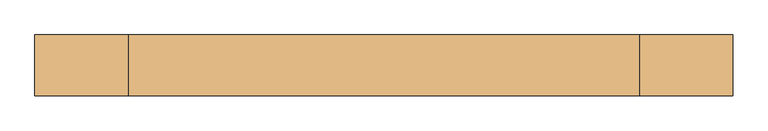
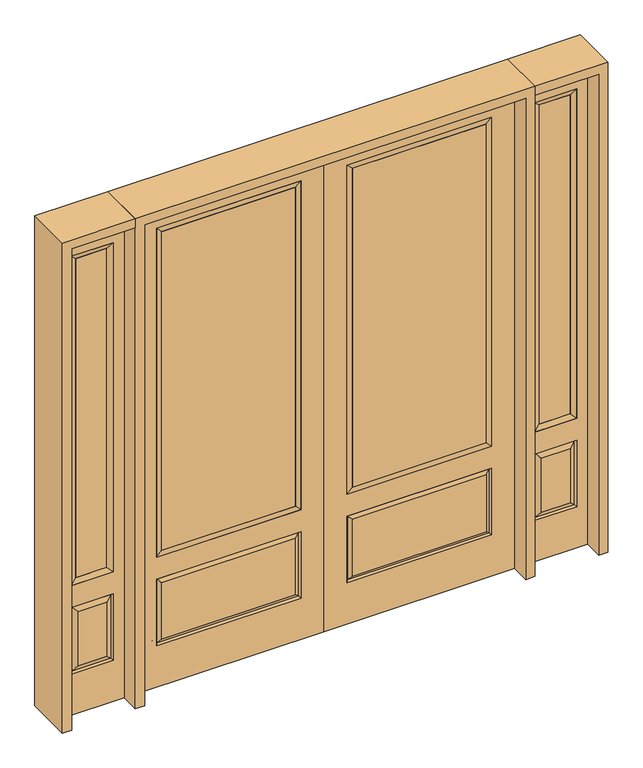
"""IFC4 building model written with IfcOpenShell, lengths in millimetres: door geometry."""

from ifc_helpers import new_model, si_unit, frame, origin, place, context, project, spatial, polyline, outline, extrude, faceted_brep, source, transform, mapped, element, save


def door_9a97991a(model_context):
    return source(origin(), model_context, "Body", "SolidModel", [
        extrude(outline(polyline([(136.525, -20.32), (136.525, 5.08), (777.875, 5.08), (777.875, -20.32), (136.525, -20.32)])), frame((0.0, 0.0, 682.498), z_axis=(0.0, 0.0, 1.0), x_axis=(1.0, 0.0, 0.0)), (0.0, 0.0, 1.0), 1616.202),
        faceted_brep([(796.1661499, -12.7912373, 216.6588501), (778.66875, -22.225, 234.15625), (135.73125, -22.225, 234.15625), (118.2338501, -12.7912373, 216.6588501), (111.125, -22.225, 209.55), (803.275, -22.225, 209.55), (803.275, -22.225, 546.1), (796.1661499, -12.7912373, 538.9911499), (0.0, -22.225, 2438.4), (0.0, -22.225, 0.0), (914.4, -22.225, 0.0), (914.4, -22.225, 2438.4), (111.125, -22.225, 546.1), (111.125, -22.225, 2324.1), (803.275, -22.225, 2324.1), (803.275, -22.225, 657.098), (111.125, -22.225, 657.098), (778.66875, -22.225, 521.49375), (135.73125, -22.225, 521.49375), (118.2338501, -12.7912373, 538.9911499), (914.4, 22.225, 0.0), (914.4, 22.225, 2438.4), (0.0, 22.225, 0.0), (0.0, 22.225, 2438.4), (111.125, 22.225, 657.098), (111.125, 22.225, 2324.1), (803.275, 22.225, 657.098), (803.275, 22.225, 2324.1), (135.73125, 22.225, 234.15625), (135.73125, 22.225, 521.49375), (778.66875, 22.225, 521.49375), (778.66875, 22.225, 234.15625), (803.275, 22.225, 209.55), (803.275, 22.225, 546.1), (111.125, 22.225, 546.1), (111.125, 22.225, 209.55), (118.2338501, 12.7912373, 216.6588501), (796.1661499, 12.7912373, 216.6588501), (118.2338501, 12.7912373, 538.9911499), (796.1661499, 12.7912373, 538.9911499)], [[[0, 1, 2, 3]], [[3, 4, 5, 0]], [[5, 6, 7, 0]], [[8, 9, 10, 11], [4, 12, 6, 5], [13, 14, 15, 16]], [[1, 17, 18, 2]], [[3, 19, 12, 4]], [[2, 18, 19, 3]], [[0, 7, 17, 1]], [[6, 12, 19, 7]], [[7, 19, 18, 17]], [[10, 20, 21, 11]], [[9, 22, 20, 10]], [[8, 23, 22, 9]], [[16, 24, 25, 13]], [[15, 26, 24, 16]], [[14, 27, 26, 15]], [[28, 29, 30, 31]], [[23, 21, 20, 22], [25, 24, 26, 27], [32, 33, 34, 35]], [[32, 35, 36, 37]], [[35, 34, 38, 36]], [[39, 38, 34, 33]], [[37, 39, 33, 32]], [[36, 28, 31, 37]], [[31, 30, 39, 37]], [[30, 29, 38, 39]], [[36, 38, 29, 28]], [[11, 21, 23, 8]], [[13, 25, 27, 14]]]),
        faceted_brep([(803.275, -22.225, 2324.1), (803.275, -22.225, 657.098), (803.275, 22.225, 657.098), (803.275, 22.225, 2324.1), (111.125, -22.225, 657.098), (111.125, 22.225, 657.098), (136.525, 5.08, 682.498), (777.875, 5.08, 682.498), (111.125, -22.225, 2324.1), (111.125, 22.225, 2324.1), (777.875, -20.32, 682.498), (136.525, -20.32, 682.498), (777.875, -20.32, 2298.7), (136.525, -20.32, 2298.7), (777.875, 5.08, 2298.7), (136.525, 5.08, 2298.7)], [[[0, 1, 2, 3]], [[1, 4, 5, 2]], [[2, 5, 6, 7]], [[4, 8, 9, 5]], [[10, 11, 4, 1]], [[12, 10, 1, 0]], [[11, 13, 8, 4]], [[7, 6, 11, 10]], [[14, 7, 10, 12]], [[6, 15, 13, 11]], [[3, 2, 7, 14]], [[5, 9, 15, 6]], [[8, 0, 3, 9]], [[13, 12, 0, 8]], [[15, 14, 12, 13]], [[9, 3, 14, 15]]]),
        faceted_brep([(958.85, -22.225, 0.0), (1263.65, -22.225, 0.0), (1263.65, -22.225, 2438.4), (958.85, -22.225, 2438.4), (1211.58, -22.225, 2325.624), (1211.58, -22.225, 657.098), (1010.92, -22.225, 657.098), (1010.92, -22.225, 2325.624), (1211.58, -22.225, 209.55), (1010.92, -22.225, 209.55), (1010.92, -22.225, 546.1), (1211.58, -22.225, 546.1), (1042.6351001, -22.225, 241.2651001), (1179.8648999, -22.225, 241.2651001), (1179.8648999, -22.225, 514.3848999), (1042.6351001, -22.225, 514.3848999), (958.85, 22.225, 0.0), (958.85, 22.225, 2438.4), (1263.65, 22.225, 2438.4), (1263.65, 22.225, 0.0), (1211.58, 22.225, 2325.624), (1010.92, 22.225, 2325.624), (1010.92, 22.225, 657.098), (1211.58, 22.225, 657.098), (1010.92, 22.225, 209.55), (1211.58, 22.225, 209.55), (1211.58, 22.225, 546.1), (1010.92, 22.225, 546.1), (1179.8648999, 22.225, 241.2651001), (1042.6351001, 22.225, 241.2651001), (1042.6351001, 22.225, 514.3848999), (1179.8648999, 22.225, 514.3848999), (1204.4711499, 12.7912373, 216.6588501), (1018.0288501, 12.7912373, 216.6588501), (1018.0288501, 12.7912373, 538.9911499), (1204.4711499, 12.7912373, 538.9911499), (1018.0288501, -12.7912373, 216.6588501), (1204.4711499, -12.7912373, 216.6588501), (1018.0288501, -12.7912373, 538.9911499), (1204.4711499, -12.7912373, 538.9911499)], [[[0, 1, 2, 3], [4, 5, 6, 7], [8, 9, 10, 11]], [[12, 13, 14, 15]], [[16, 17, 18, 19], [20, 21, 22, 23], [24, 25, 26, 27]], [[28, 29, 30, 31]], [[1, 0, 16, 19]], [[2, 1, 19, 18]], [[3, 2, 18, 17]], [[0, 3, 17, 16]], [[5, 4, 20, 23]], [[6, 5, 23, 22]], [[7, 6, 22, 21]], [[4, 7, 21, 20]], [[32, 33, 29, 28]], [[33, 32, 25, 24]], [[29, 33, 34, 30]], [[33, 24, 27, 34]], [[30, 34, 35, 31]], [[34, 27, 26, 35]], [[32, 28, 31, 35]], [[25, 32, 35, 26]], [[12, 36, 37, 13]], [[37, 36, 9, 8]], [[36, 12, 15, 38]], [[9, 36, 38, 10]], [[38, 15, 14, 39]], [[10, 38, 39, 11]], [[13, 37, 39, 14]], [[37, 8, 11, 39]]]),
        faceted_brep([(1010.92, 22.225, 2325.624), (1010.92, -22.225, 2325.624), (1211.58, -22.225, 2325.624), (1211.58, 22.225, 2325.624), (1036.32, 12.7, 2300.224), (1186.18, 12.7, 2300.224), (1036.32, -12.7, 2300.224), (1186.18, -12.7, 2300.224), (1211.58, -22.225, 657.098), (1211.58, 22.225, 657.098), (1186.18, 12.7, 682.498), (1186.18, -12.7, 682.498), (1010.92, -22.225, 657.098), (1010.92, 22.225, 657.098), (1036.32, 12.7, 682.498), (1036.32, -12.7, 682.498)], [[[0, 1, 2, 3]], [[4, 0, 3, 5]], [[6, 4, 5, 7]], [[1, 6, 7, 2]], [[3, 2, 8, 9]], [[5, 3, 9, 10]], [[7, 5, 10, 11]], [[2, 7, 11, 8]], [[9, 8, 12, 13]], [[10, 9, 13, 14]], [[11, 10, 14, 15]], [[8, 11, 15, 12]], [[13, 12, 1, 0]], [[14, 13, 0, 4]], [[15, 14, 4, 6]], [[12, 15, 6, 1]]]),
        extrude(outline(polyline([(1186.18, -12.7), (1036.32, -12.7), (1036.32, 12.7), (1186.18, 12.7), (1186.18, -12.7)])), frame((0.0, 0.0, 682.498), z_axis=(0.0, 0.0, 1.0), x_axis=(1.0, 0.0, 0.0)), (0.0, 0.0, 1.0), 1617.726),
        faceted_brep([(-1263.65, -22.225, 0.0), (-958.85, -22.225, 0.0), (-958.85, -22.225, 2438.4), (-1263.65, -22.225, 2438.4), (-1010.92, -22.225, 2325.624), (-1010.92, -22.225, 657.098), (-1211.58, -22.225, 657.098), (-1211.58, -22.225, 2325.624), (-1010.92, -22.225, 209.55), (-1211.58, -22.225, 209.55), (-1211.58, -22.225, 546.1), (-1010.92, -22.225, 546.1), (-1179.8648999, -22.225, 241.2651001), (-1042.6351001, -22.225, 241.2651001), (-1042.6351001, -22.225, 514.3848999), (-1179.8648999, -22.225, 514.3848999), (-1263.65, 22.225, 0.0), (-1263.65, 22.225, 2438.4), (-958.85, 22.225, 2438.4), (-958.85, 22.225, 0.0), (-1010.92, 22.225, 2325.624), (-1211.58, 22.225, 2325.624), (-1211.58, 22.225, 657.098), (-1010.92, 22.225, 657.098), (-1211.58, 22.225, 209.55), (-1010.92, 22.225, 209.55), (-1010.92, 22.225, 546.1), (-1211.58, 22.225, 546.1), (-1042.6351001, 22.225, 241.2651001), (-1179.8648999, 22.225, 241.2651001), (-1179.8648999, 22.225, 514.3848999), (-1042.6351001, 22.225, 514.3848999), (-1018.0288501, 12.7912373, 216.6588501), (-1204.4711499, 12.7912373, 216.6588501), (-1204.4711499, 12.7912373, 538.9911499), (-1018.0288501, 12.7912373, 538.9911499), (-1204.4711499, -12.7912373, 216.6588501), (-1018.0288501, -12.7912373, 216.6588501), (-1204.4711499, -12.7912373, 538.9911499), (-1018.0288501, -12.7912373, 538.9911499)], [[[0, 1, 2, 3], [4, 5, 6, 7], [8, 9, 10, 11]], [[12, 13, 14, 15]], [[16, 17, 18, 19], [20, 21, 22, 23], [24, 25, 26, 27]], [[28, 29, 30, 31]], [[1, 0, 16, 19]], [[2, 1, 19, 18]], [[3, 2, 18, 17]], [[0, 3, 17, 16]], [[5, 4, 20, 23]], [[6, 5, 23, 22]], [[7, 6, 22, 21]], [[4, 7, 21, 20]], [[32, 33, 29, 28]], [[33, 32, 25, 24]], [[29, 33, 34, 30]], [[33, 24, 27, 34]], [[30, 34, 35, 31]], [[34, 27, 26, 35]], [[32, 28, 31, 35]], [[25, 32, 35, 26]], [[12, 36, 37, 13]], [[37, 36, 9, 8]], [[36, 12, 15, 38]], [[9, 36, 38, 10]], [[38, 15, 14, 39]], [[10, 38, 39, 11]], [[13, 37, 39, 14]], [[37, 8, 11, 39]]]),
        faceted_brep([(-1211.58, 22.225, 2325.624), (-1211.58, -22.225, 2325.624), (-1010.92, -22.225, 2325.624), (-1010.92, 22.225, 2325.624), (-1186.18, 12.7, 2300.224), (-1036.32, 12.7, 2300.224), (-1186.18, -12.7, 2300.224), (-1036.32, -12.7, 2300.224), (-1010.92, -22.225, 657.098), (-1010.92, 22.225, 657.098), (-1036.32, 12.7, 682.498), (-1036.32, -12.7, 682.498), (-1211.58, -22.225, 657.098), (-1211.58, 22.225, 657.098), (-1186.18, 12.7, 682.498), (-1186.18, -12.7, 682.498)], [[[0, 1, 2, 3]], [[4, 0, 3, 5]], [[6, 4, 5, 7]], [[1, 6, 7, 2]], [[3, 2, 8, 9]], [[5, 3, 9, 10]], [[7, 5, 10, 11]], [[2, 7, 11, 8]], [[9, 8, 12, 13]], [[10, 9, 13, 14]], [[11, 10, 14, 15]], [[8, 11, 15, 12]], [[13, 12, 1, 0]], [[14, 13, 0, 4]], [[15, 14, 4, 6]], [[12, 15, 6, 1]]]),
        extrude(outline(polyline([(-1036.32, -12.7), (-1186.18, -12.7), (-1186.18, 12.7), (-1036.32, 12.7), (-1036.32, -12.7)])), frame((0.0, 0.0, 682.498), z_axis=(0.0, 0.0, 1.0), x_axis=(1.0, 0.0, 0.0)), (0.0, 0.0, 1.0), 1617.726),
        extrude(outline(polyline([(-136.525, -20.32), (-777.875, -20.32), (-777.875, 5.08), (-136.525, 5.08), (-136.525, -20.32)])), frame((0.0, 0.0, 682.498), z_axis=(0.0, 0.0, 1.0), x_axis=(1.0, 0.0, 0.0)), (0.0, 0.0, 1.0), 1616.202),
        faceted_brep([(-796.1661499, -12.7912373, 216.6588501), (-118.2338501, -12.7912373, 216.6588501), (-135.73125, -22.225, 234.15625), (-778.66875, -22.225, 234.15625), (-803.275, -22.225, 209.55), (-111.125, -22.225, 209.55), (-796.1661499, -12.7912373, 538.9911499), (-803.275, -22.225, 546.1), (-135.73125, -22.225, 521.49375), (-778.66875, -22.225, 521.49375), (0.0, -22.225, 2438.4), (-914.4, -22.225, 2438.4), (-914.4, -22.225, 0.0), (0.0, -22.225, 0.0), (-111.125, -22.225, 546.1), (-111.125, -22.225, 2324.1), (-111.125, -22.225, 657.098), (-803.275, -22.225, 657.098), (-803.275, -22.225, 2324.1), (-118.2338501, -12.7912373, 538.9911499), (-914.4, 22.225, 2438.4), (-914.4, 22.225, 0.0), (0.0, 22.225, 0.0), (0.0, 22.225, 2438.4), (-111.125, 22.225, 2324.1), (-111.125, 22.225, 657.098), (-803.275, 22.225, 657.098), (-803.275, 22.225, 2324.1), (-803.275, 22.225, 209.55), (-111.125, 22.225, 209.55), (-111.125, 22.225, 546.1), (-803.275, 22.225, 546.1), (-135.73125, 22.225, 234.15625), (-778.66875, 22.225, 234.15625), (-778.66875, 22.225, 521.49375), (-135.73125, 22.225, 521.49375), (-796.1661499, 12.7912373, 216.6588501), (-118.2338501, 12.7912373, 216.6588501), (-118.2338501, 12.7912373, 538.9911499), (-796.1661499, 12.7912373, 538.9911499)], [[[0, 1, 2, 3]], [[1, 0, 4, 5]], [[4, 0, 6, 7]], [[3, 2, 8, 9]], [[10, 11, 12, 13], [5, 4, 7, 14], [15, 16, 17, 18]], [[1, 5, 14, 19]], [[2, 1, 19, 8]], [[0, 3, 9, 6]], [[7, 6, 19, 14]], [[6, 9, 8, 19]], [[12, 11, 20, 21]], [[13, 12, 21, 22]], [[10, 13, 22, 23]], [[16, 15, 24, 25]], [[17, 16, 25, 26]], [[18, 17, 26, 27]], [[23, 22, 21, 20], [28, 29, 30, 31], [24, 27, 26, 25]], [[32, 33, 34, 35]], [[28, 36, 37, 29]], [[29, 37, 38, 30]], [[39, 31, 30, 38]], [[36, 28, 31, 39]], [[37, 36, 33, 32]], [[33, 36, 39, 34]], [[34, 39, 38, 35]], [[37, 32, 35, 38]], [[11, 10, 23, 20]], [[15, 18, 27, 24]]]),
        faceted_brep([(-803.275, -22.225, 2324.1), (-803.275, 22.225, 2324.1), (-803.275, 22.225, 657.098), (-803.275, -22.225, 657.098), (-111.125, 22.225, 657.098), (-111.125, -22.225, 657.098), (-777.875, 5.08, 682.498), (-136.525, 5.08, 682.498), (-111.125, 22.225, 2324.1), (-111.125, -22.225, 2324.1), (-777.875, -20.32, 682.498), (-136.525, -20.32, 682.498), (-777.875, -20.32, 2298.7), (-136.525, -20.32, 2298.7), (-777.875, 5.08, 2298.7), (-136.525, 5.08, 2298.7)], [[[0, 1, 2, 3]], [[3, 2, 4, 5]], [[2, 6, 7, 4]], [[5, 4, 8, 9]], [[10, 3, 5, 11]], [[12, 0, 3, 10]], [[11, 5, 9, 13]], [[6, 10, 11, 7]], [[14, 12, 10, 6]], [[7, 11, 13, 15]], [[1, 14, 6, 2]], [[4, 7, 15, 8]], [[9, 8, 1, 0]], [[13, 9, 0, 12]], [[15, 13, 12, 14]], [[8, 15, 14, 1]]]),
        extrude(outline(polyline([(2438.4, -958.85), (2482.85, -958.85), (2482.85, -1308.1), (0.0, -1308.1), (0.0, -1263.65), (2438.4, -1263.65), (2438.4, -958.85)])), frame((0.0, -114.3, 0.0), z_axis=(0.0, 1.0, 0.0), x_axis=(0.0, 0.0, 1.0)), (0.0, 0.0, 1.0), 228.6),
        extrude(outline(polyline([(2482.85, -958.85), (0.0, -958.85), (0.0, -914.4), (2438.4, -914.4), (2438.4, 914.4), (0.0, 914.4), (0.0, 958.85), (2482.85, 958.85), (2482.85, -958.85)])), frame((0.0, -114.3, 0.0), z_axis=(0.0, 1.0, 0.0), x_axis=(0.0, 0.0, 1.0)), (0.0, 0.0, 1.0), 228.6),
        extrude(outline(polyline([(0.0, 1263.65), (0.0, 1308.1), (2482.85, 1308.1), (2482.85, 958.85), (2438.4, 958.85), (2438.4, 1263.65), (0.0, 1263.65)])), frame((0.0, -114.3, 0.0), z_axis=(0.0, 1.0, 0.0), x_axis=(0.0, 0.0, 1.0)), (0.0, 0.0, 1.0), 228.6),
    ])


if __name__ == "__main__":
    model = new_model("IFC4")
    model_context = context("Model", 3, world=origin())
    ifc_project = project(units=[si_unit("LENGTHUNIT", "METRE", prefix="MILLI")], contexts=[model_context])
    site = spatial("IfcSite", under=ifc_project)
    building = spatial("IfcBuilding", under=site)
    placement = place(None, origin())
    door_shape = door_9a97991a(model_context)
    element("IfcDoor", 1, at=placement, inside=building, context=model_context, shape_type="MappedRepresentation", body=[
        mapped(door_shape, transform((0.0, 0.0, 0.0), x_axis=(1.0, 0.0, 0.0), y_axis=(0.0, 1.0, 0.0), z_axis=(0.0, 0.0, 1.0))),
    ])
    save(model, "model.ifc")
